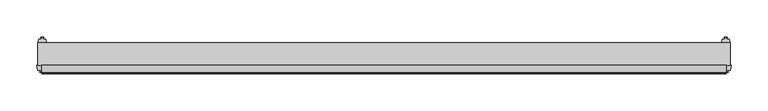
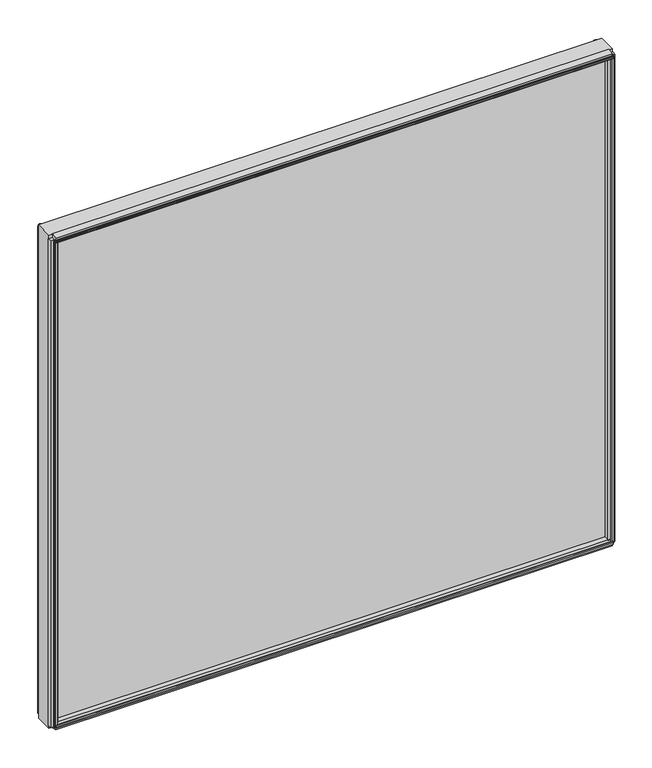
"""IFC4 building model written with IfcOpenShell, lengths in millimetres: plate geometry."""

from ifc_helpers import new_model, si_unit, frame, origin, place, context, project, spatial, polyline, outline, extrude, source, transform, mapped, element, save


def plate_5a6e9bed(model_context):
    return source(origin(), model_context, "Body", "SweptSolid", [
        extrude(outline(polyline([(465.8624, 0.0611188), (465.8624, -30.0632812), (-476.9749, -30.0632812), (-476.9749, 0.0611188), (465.8624, 0.0611188)])), frame((0.0, 0.0, 24.1101562), z_axis=(0.0, 0.0, 1.0), x_axis=(1.0, 0.0, 0.0)), (0.0, 0.0, 1.0), 872.6979284),
        extrude(outline(polyline([(-30.0632812, 897.3999858), (-30.0632812, 883.0303978), (-36.7942812, 884.7995697), (-37.9052879, 888.9459029), (-40.6553872, 888.7086403), (-40.0090278, 887.2777749), (-40.7941323, 887.0674068), (-41.7914929, 889.2193982), (-42.003749, 891.5817577), (-41.2186445, 891.7921258), (-41.0629754, 890.2297803), (-38.5626883, 891.3993545), (-39.6736949, 895.5456877), (-30.0632812, 897.3999858)])), frame((-471.41865, 0.0, 0.0), z_axis=(1.0, 0.0, 0.0), x_axis=(0.0, 1.0, 0.0)), (0.0, 0.0, 1.0), 931.7248),
        extrude(outline(polyline([(461.0583429, -39.5092713), (462.6068246, -39.2497314), (462.6097316, -40.0625262), (460.2744, -40.4772812), (457.9361614, -40.0792415), (457.9361614, -39.2664467), (459.483553, -39.5149036), (458.9912273, -36.7987999), (454.7126005, -36.7987999), (453.5193, -30.0632812), (467.0295, -30.0632812), (465.8405205, -36.7744101), (461.5338891, -36.7744101), (461.0583429, -39.5092713)])), frame((0.0, 0.0, 29.6664062), z_axis=(0.0, 0.0, 1.0), x_axis=(1.0, 0.0, 0.0)), (0.0, 0.0, 1.0), 861.5854284),
        extrude(outline(polyline([(458.7284571, 7.5513088), (457.1799754, 7.2917689), (457.1770684, 8.1045637), (459.5124, 8.5193188), (461.8506386, 8.121279), (461.8506386, 7.3084842), (460.303247, 7.5569411), (460.7955727, 4.8408374), (464.2865409, 4.8408374), (464.8153556, 2.5845617), (464.2822338, 0.0611188), (454.7425662, 0.0611188), (454.2094444, 2.5845617), (454.7372, 4.8363188), (458.2563662, 4.8363188), (458.7284571, 7.5513088)])), frame((0.0, 0.0, 29.6664062), z_axis=(0.0, 0.0, 1.0), x_axis=(1.0, 0.0, 0.0)), (0.0, 0.0, 1.0), 861.5854284),
        extrude(outline(polyline([(-472.1708429, -39.5092713), (-472.6463891, -36.7744101), (-476.9530205, -36.7744101), (-478.142, -30.0632812), (-464.6318, -30.0632812), (-465.8251005, -36.7987999), (-470.1037273, -36.7987999), (-470.596053, -39.5149036), (-469.0486614, -39.2664467), (-469.0486614, -40.0792415), (-471.3869, -40.4772812), (-473.7222316, -40.0625262), (-473.7193246, -39.2497314), (-472.1708429, -39.5092713)])), frame((0.0, 0.0, 29.6664062), z_axis=(0.0, 0.0, 1.0), x_axis=(1.0, 0.0, 0.0)), (0.0, 0.0, 1.0), 861.5854284),
        extrude(outline(polyline([(-469.8409571, 7.5513088), (-469.3688662, 4.8363188), (-465.8497, 4.8363188), (-465.3219444, 2.5845617), (-465.8550662, 0.0611188), (-475.3947338, 0.0611188), (-475.9278556, 2.5845617), (-475.3990409, 4.8408374), (-471.9080727, 4.8408374), (-471.415747, 7.5569411), (-472.9631386, 7.3084842), (-472.9631386, 8.121279), (-470.6249, 8.5193188), (-468.2895684, 8.1045637), (-468.2924754, 7.2917689), (-469.8409571, 7.5513088)])), frame((0.0, 0.0, 29.6664062), z_axis=(0.0, 0.0, 1.0), x_axis=(1.0, 0.0, 0.0)), (0.0, 0.0, 1.0), 861.5854284),
        extrude(outline(polyline([(-30.0632813, 23.5182551), (-39.6736949, 25.3725532), (-38.5626883, 29.5188864), (-41.0629754, 30.6884606), (-41.2186445, 29.1261151), (-42.003749, 29.3364832), (-41.7914929, 31.6988428), (-40.7941323, 33.8508342), (-40.0090278, 33.6404661), (-40.6553872, 32.2096006), (-37.9052879, 31.972338), (-36.7942812, 36.1186712), (-30.0632813, 37.8878432), (-30.0632813, 23.5182551)])), frame((-471.41865, 0.0, 0.0), z_axis=(1.0, 0.0, 0.0), x_axis=(0.0, 1.0, 0.0)), (0.0, 0.0, 1.0), 931.7248),
    ])


if __name__ == "__main__":
    model = new_model("IFC4")
    model_context = context("Model", 3, world=origin())
    ifc_project = project(units=[si_unit("LENGTHUNIT", "METRE", prefix="MILLI")], contexts=[model_context])
    site = spatial("IfcSite", under=ifc_project)
    building = spatial("IfcBuilding", under=site)
    placement = place(None, origin())
    plate_shape = plate_5a6e9bed(model_context)
    element("IfcPlate", 1, at=placement, inside=building, context=model_context, shape_type="MappedRepresentation", body=[
        mapped(plate_shape, transform((0.0, 0.0, 0.0), x_axis=(1.0, 0.0, 0.0), y_axis=(0.0, 1.0, 0.0), z_axis=(0.0, 0.0, 1.0))),
    ])
    save(model, "model.ifc")
